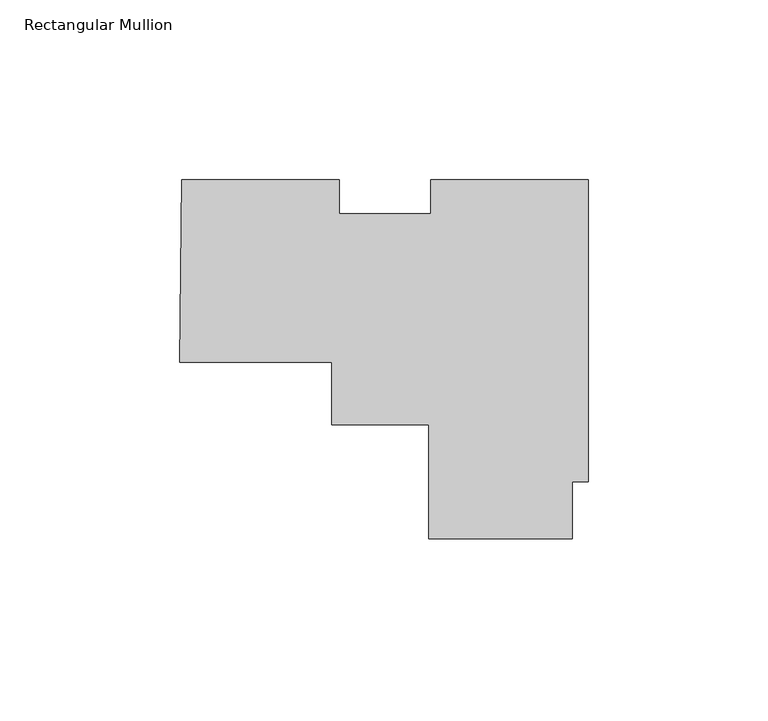
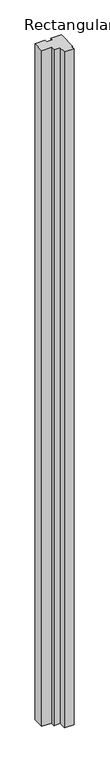
"""IFC4 building model written with IfcOpenShell, lengths in millimetres: member geometry, Rectangular Mullion."""

from ifc_helpers import new_model, si_unit, frame, origin, place, context, project, spatial, polyline, outline, extrude, source, transform, mapped, element, save


def rectangular_mullion_4d546552(model_context):
    return source(origin(), model_context, "Body", "SweptSolid", [
        extrude(outline(polyline([(-113.7726661, -16.3322), (-113.1146639, 34.4678), (-69.2954661, 34.4678), (-69.2954661, 24.9428), (-43.8077678, 24.9428), (-43.8077678, 34.4678), (0.0, 34.4678), (0.0, -49.6814795), (-4.436872, -49.6814795), (-4.436872, -65.55557), (-44.4419775, -65.55557), (-44.4419775, -33.7947), (-71.4594045, -33.7947), (-71.4594045, -16.3322), (-113.7726661, -16.3322)])), frame((0.0, 0.0, -3048.0), z_axis=(0.0, 0.0, 1.0), x_axis=(1.0, 0.0, 0.0)), (0.0, 0.0, 1.0), 3048.0),
    ])


if __name__ == "__main__":
    model = new_model("IFC4")
    model_context = context("Model", 3, world=origin())
    ifc_project = project(units=[si_unit("LENGTHUNIT", "METRE", prefix="MILLI")], contexts=[model_context])
    site = spatial("IfcSite", under=ifc_project)
    building = spatial("IfcBuilding", under=site)
    placement = place(None, origin())
    rectangular_mullion_shape = rectangular_mullion_4d546552(model_context)
    element("IfcMember", 1, ObjectType="Rectangular Mullion", at=placement, inside=building, context=model_context, shape_type="MappedRepresentation", body=[
        mapped(rectangular_mullion_shape, transform((0.0, 0.0, 0.0), x_axis=(1.0, 0.0, 0.0), y_axis=(0.0, 1.0, 0.0), z_axis=(0.0, 0.0, 1.0))),
    ])
    save(model, "model.ifc")
